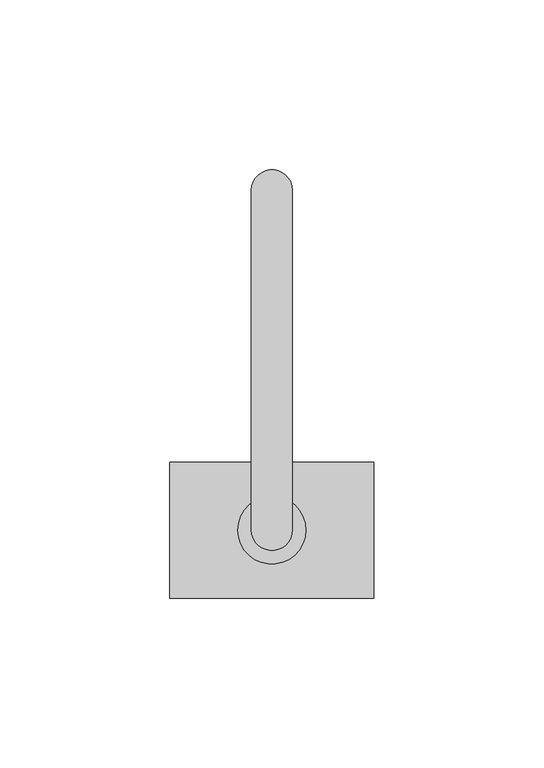
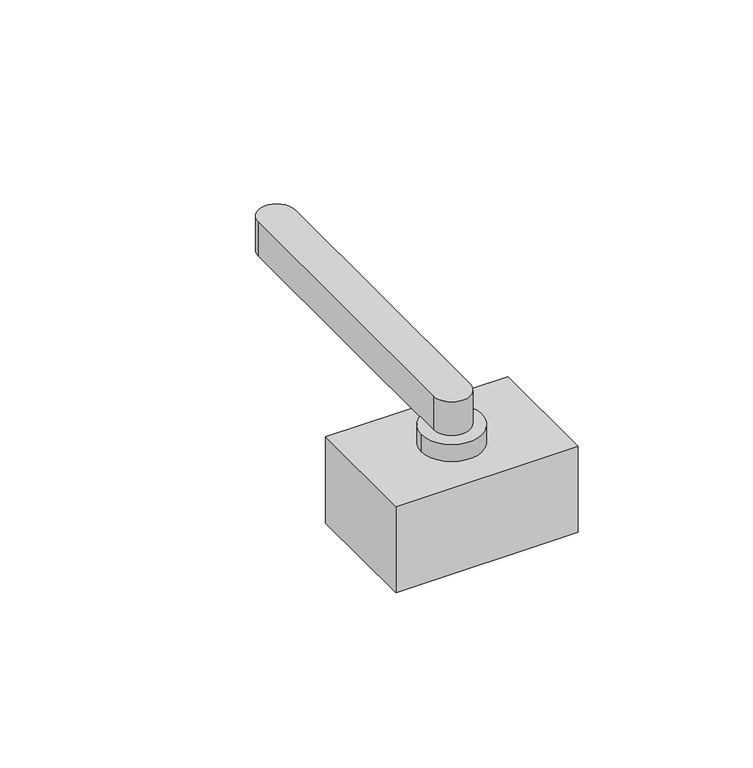
"""IFC4 building model written with IfcOpenShell, lengths in millimetres: proxy geometry."""

from ifc_helpers import new_model, si_unit, point, frame, frame_2d, origin, origin_2d, place, context, project, spatial, polyline, circle_curve, trimmed, segment, composite_curve, outline, extrude, source, transform, mapped, element, save


def generic_models_1c3b479a(model_context):
    return source(origin(), model_context, "Body", "SweptSolid", [
        extrude(outline(composite_curve([segment(trimmed(circle_curve(origin_2d(), 10.0), [point((-10.0, 0.0))], [point((10.0, 0.0))], False, "CARTESIAN"), True, "CONTINUOUS"), segment(trimmed(circle_curve(origin_2d(), 10.0), [point((10.0, 0.0))], [point((-10.0, 0.0))], False, "CARTESIAN"), True, "CONTINUOUS")], self_intersect=False)), frame((0.0, 0.0, 35.0), z_axis=(0.0, 0.0, 1.0), x_axis=(1.0, 0.0, 0.0)), (0.0, 0.0, 1.0), 6.0),
        extrude(outline(composite_curve([segment(trimmed(circle_curve(frame_2d((0.0, 100.0)), 6.0), [point((-6.0, 100.0))], [point((6.0, 100.0))], False, "CARTESIAN"), True, "CONTINUOUS"), segment(polyline([(6.0, 100.0), (6.0, 0.0)]), True, "CONTINUOUS"), segment(trimmed(circle_curve(origin_2d(), 6.0), [point((6.0, 0.0))], [point((-6.0, 0.0))], False, "CARTESIAN"), True, "CONTINUOUS"), segment(polyline([(-6.0, 0.0), (-6.0, 100.0)]), True, "CONTINUOUS")], self_intersect=False)), frame((0.0, 0.0, 41.0), z_axis=(0.0, 0.0, 1.0), x_axis=(1.0, 0.0, 0.0)), (0.0, 0.0, 1.0), 12.0),
        extrude(outline(polyline([(30.0, 20.0), (30.0, -20.0), (-30.0, -20.0), (-30.0, 20.0), (30.0, 20.0)])), frame((0.0, 0.0, 5.0), z_axis=(0.0, 0.0, 1.0), x_axis=(1.0, 0.0, 0.0)), (0.0, 0.0, 1.0), 30.0),
    ])


if __name__ == "__main__":
    model = new_model("IFC4")
    model_context = context("Model", 3, world=origin())
    ifc_project = project(units=[si_unit("LENGTHUNIT", "METRE", prefix="MILLI")], contexts=[model_context])
    site = spatial("IfcSite", under=ifc_project)
    building = spatial("IfcBuilding", under=site)
    placement = place(None, origin())
    generic_models_shape = generic_models_1c3b479a(model_context)
    element("IfcBuildingElementProxy", 1, Name="Generic Models", at=placement, inside=building, context=model_context, shape_type="MappedRepresentation", body=[
        mapped(generic_models_shape, transform((0.0, 0.0, 0.0), x_axis=(1.0, 0.0, 0.0), y_axis=(0.0, 1.0, 0.0), z_axis=(0.0, 0.0, 1.0))),
    ])
    save(model, "model.ifc")
